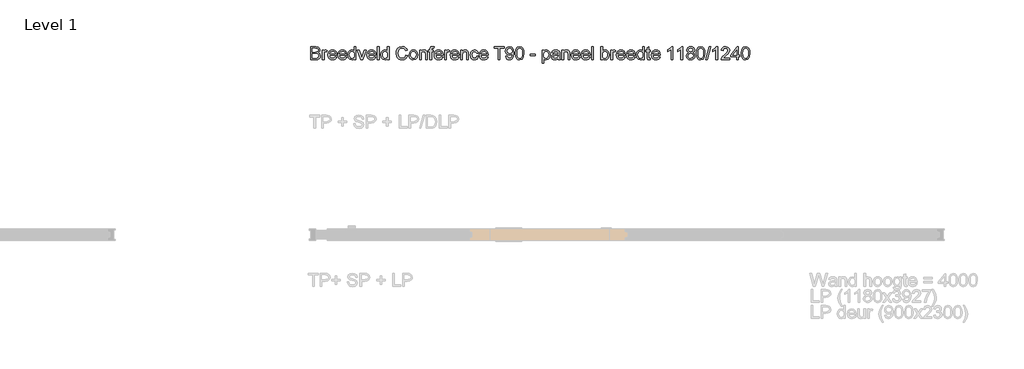
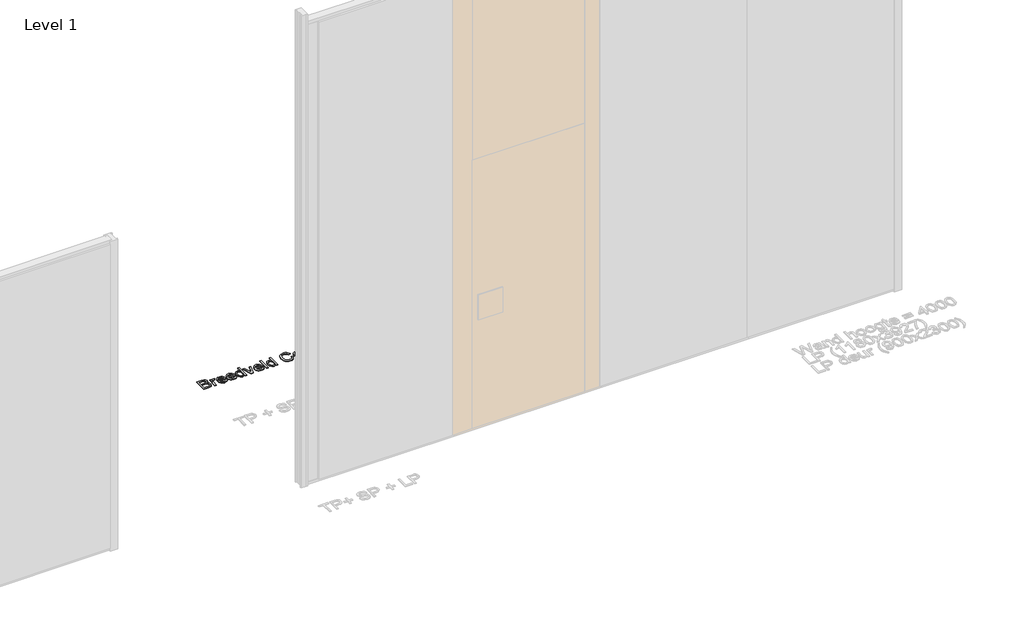
# One storey, part 16 of 17: 1 proxy.
"""IFC4 building model written with IfcOpenShell, lengths in millimetres."""

from ifc_helpers import new_model, si_unit, origin, origin_with_axes, place, context, project, spatial, polyline, outline, extrude, element, save

model = new_model("IFC4")

# Units and contexts
model_context = context("Model", 3, world=origin())
ifc_project = project(units=[si_unit("LENGTHUNIT", "METRE", prefix="MILLI")], contexts=[model_context])

# Site, building, storey
site = spatial("IfcSite", under=ifc_project)
building = spatial("IfcBuilding", under=site)
storey = spatial("IfcBuildingStorey", under=building, Name="Level 1", Elevation=0.0)

# Proxy
placement = place(None, origin())
element("IfcBuildingElementProxy", 1, Name="100 mm", ObjectType="100 mm", at=placement, inside=storey, context=model_context, shape_type="SweptSolid", body=[
    extrude(outline(polyline([(-5989.1218202, 5842.9102169), (-5989.1218202, 5941.3717554), (-5951.5497048, 5941.3717554), (-5933.1482625, 5938.4751207), (-5922.2828779, 5929.5688707), (-5918.3525894, 5916.9727169), (-5921.6578779, 5905.4703131), (-5931.6458587, 5896.7563707), (-5919.5184548, 5887.5736784), (-5915.2756664, 5872.2611784), (-5918.172301, 5859.0280054), (-5925.3477817, 5849.6049284), (-5936.0569164, 5844.6049284), (-5951.8381664, 5842.9102169), (-5989.1218202, 5842.9102169)]), holes=[polyline([(-5976.8141279, 5855.2179092), (-5951.5737433, 5855.2179092), (-5942.4391279, 5855.6986784), (-5934.7107625, 5858.3789669), (-5929.5905702, 5863.8477169), (-5927.5833587, 5872.1409861), (-5929.9391279, 5881.7082938), (-5937.5713394, 5887.4174284), (-5952.7756664, 5889.0640631), (-5976.8141279, 5889.0640631), (-5976.8141279, 5855.2179092)]), polyline([(-5976.8141279, 5901.3717554), (-5954.3381664, 5901.3717554), (-5941.2131664, 5902.4294477), (-5933.3165317, 5906.9847361), (-5930.6602817, 5915.0015631), (-5933.1362433, 5923.0304092), (-5940.2275894, 5927.7780054), (-5956.0448971, 5929.0640631), (-5976.8141279, 5929.0640631), (-5976.8141279, 5901.3717554)])]), origin_with_axes(), (0.0, 0.0, 1.0), 5.0),
    extrude(outline(polyline([(-5899.891051, 5842.9102169), (-5899.891051, 5915.2179092), (-5889.1218202, 5915.2179092), (-5889.1218202, 5904.5207938), (-5881.4775894, 5914.3765631), (-5873.7852817, 5916.7563707), (-5861.4295125, 5912.9582938), (-5865.5400894, 5901.92464), (-5874.1939356, 5904.4486784), (-5881.1530702, 5902.0207938), (-5885.5881664, 5895.2900246), (-5887.5833587, 5880.9150246), (-5887.5833587, 5842.9102169), (-5899.891051, 5842.9102169)])), origin_with_axes(), (0.0, 0.0, 1.0), 5.0),
    extrude(outline(polyline([(-5803.1122048, 5864.4486784), (-5791.0448971, 5862.9102169), (-5795.3928539, 5853.8176688), (-5802.3309548, 5847.0207938), (-5811.70295, 5842.784015), (-5823.3525894, 5841.3717554), (-5837.7936952, 5843.8086544), (-5848.905474, 5851.1193515), (-5855.9908106, 5862.8290871), (-5858.3525894, 5878.4631015), (-5855.9667721, 5894.6229573), (-5848.8093202, 5906.7082938), (-5837.8477817, 5914.2443515), (-5824.0497048, 5916.7563707), (-5810.6813154, 5914.2503611), (-5799.999224, 5906.7323323), (-5792.9950173, 5894.6710342), (-5790.6602817, 5878.5352169), (-5790.7323971, 5875.2179092), (-5846.0448971, 5875.2179092), (-5843.9144885, 5866.0051688), (-5838.9655702, 5859.2323323), (-5823.1122048, 5853.6794477), (-5811.0448971, 5856.2515631), (-5803.1122048, 5864.4486784)]), holes=[polyline([(-5846.0448971, 5887.5256015), (-5802.967974, 5887.5256015), (-5807.8958587, 5898.6794477), (-5815.0713394, 5903.0063707), (-5824.0977817, 5904.4486784), (-5839.2540317, 5899.8453131), (-5846.0448971, 5887.5256015)])]), origin_with_axes(), (0.0, 0.0, 1.0), 5.0),
    extrude(outline(polyline([(-5727.7275894, 5864.4486784), (-5715.6602817, 5862.9102169), (-5720.0082385, 5853.8176688), (-5726.9463394, 5847.0207938), (-5736.3183346, 5842.784015), (-5747.967974, 5841.3717554), (-5762.4090798, 5843.8086544), (-5773.5208587, 5851.1193515), (-5780.6061952, 5862.8290871), (-5782.967974, 5878.4631015), (-5780.5821567, 5894.6229573), (-5773.4247048, 5906.7082938), (-5762.4631664, 5914.2443515), (-5748.6650894, 5916.7563707), (-5735.2967, 5914.2503611), (-5724.6146087, 5906.7323323), (-5717.6104019, 5894.6710342), (-5715.2756664, 5878.5352169), (-5715.3477817, 5875.2179092), (-5770.6602817, 5875.2179092), (-5768.5298731, 5866.0051688), (-5763.5809548, 5859.2323323), (-5747.7275894, 5853.6794477), (-5735.6602817, 5856.2515631), (-5727.7275894, 5864.4486784)]), holes=[polyline([(-5770.6602817, 5887.5256015), (-5727.5833587, 5887.5256015), (-5732.5112433, 5898.6794477), (-5739.686724, 5903.0063707), (-5748.7131664, 5904.4486784), (-5763.8694164, 5899.8453131), (-5770.6602817, 5887.5256015)])]), origin_with_axes(), (0.0, 0.0, 1.0), 5.0),
    extrude(outline(polyline([(-5658.3525894, 5842.9102169), (-5658.3525894, 5854.5207938), (-5666.4956183, 5844.659015), (-5677.7516279, 5841.3717554), (-5692.9920125, 5846.1313707), (-5703.7612433, 5859.4126207), (-5707.5833587, 5878.9919477), (-5704.061724, 5898.5832938), (-5693.5088394, 5912.0688707), (-5677.7997048, 5916.7563707), (-5666.453551, 5913.4030054), (-5658.3525894, 5904.6890631), (-5658.3525894, 5941.3717554), (-5646.0448971, 5941.3717554), (-5646.0448971, 5842.9102169), (-5658.3525894, 5842.9102169)]), holes=[polyline([(-5695.2756664, 5879.0400246), (-5693.8874452, 5867.9072121), (-5689.7227817, 5859.9895438), (-5683.671099, 5855.2569717), (-5676.6218202, 5853.6794477), (-5669.5755462, 5855.1848563), (-5663.6771087, 5859.7010823), (-5659.6837192, 5867.3122602), (-5658.3525894, 5878.1025246), (-5659.7077577, 5889.8993996), (-5663.7732625, 5898.0784861), (-5669.8219404, 5902.8561304), (-5677.1266279, 5904.4486784), (-5684.2480221, 5902.9192313), (-5690.0833587, 5898.33089), (-5693.9775894, 5890.4492794), (-5695.2756664, 5879.0400246)])]), origin_with_axes(), (0.0, 0.0, 1.0), 5.0),
    extrude(outline(polyline([(-5609.842974, 5842.9102169), (-5635.2756664, 5915.2179092), (-5622.2468202, 5915.2179092), (-5606.8381664, 5871.9006015), (-5602.1987433, 5857.3332938), (-5597.655474, 5871.0832938), (-5582.1506664, 5915.2179092), (-5569.1218202, 5915.2179092), (-5594.2420125, 5842.9102169), (-5609.842974, 5842.9102169)])), origin_with_axes(), (0.0, 0.0, 1.0), 5.0),
    extrude(outline(polyline([(-5507.7275894, 5864.4486784), (-5495.6602817, 5862.9102169), (-5500.0082385, 5853.8176688), (-5506.9463394, 5847.0207938), (-5516.3183346, 5842.784015), (-5527.967974, 5841.3717554), (-5542.4090798, 5843.8086544), (-5553.5208587, 5851.1193515), (-5560.6061952, 5862.8290871), (-5562.967974, 5878.4631015), (-5560.5821567, 5894.6229573), (-5553.4247048, 5906.7082938), (-5542.4631664, 5914.2443515), (-5528.6650894, 5916.7563707), (-5515.2967, 5914.2503611), (-5504.6146087, 5906.7323323), (-5497.6104019, 5894.6710342), (-5495.2756664, 5878.5352169), (-5495.3477817, 5875.2179092), (-5550.6602817, 5875.2179092), (-5548.5298731, 5866.0051688), (-5543.5809548, 5859.2323323), (-5527.7275894, 5853.6794477), (-5515.6602817, 5856.2515631), (-5507.7275894, 5864.4486784)]), holes=[polyline([(-5550.6602817, 5887.5256015), (-5507.5833587, 5887.5256015), (-5512.5112433, 5898.6794477), (-5519.686724, 5903.0063707), (-5528.7131664, 5904.4486784), (-5543.8694164, 5899.8453131), (-5550.6602817, 5887.5256015)])]), origin_with_axes(), (0.0, 0.0, 1.0), 5.0),
    extrude(outline(polyline([(-5482.967974, 5842.9102169), (-5482.967974, 5941.3717554), (-5470.6602817, 5941.3717554), (-5470.6602817, 5842.9102169), (-5482.967974, 5842.9102169)])), origin_with_axes(), (0.0, 0.0, 1.0), 5.0),
    extrude(outline(polyline([(-5407.5833587, 5842.9102169), (-5407.5833587, 5854.5207938), (-5415.7263875, 5844.659015), (-5426.9823971, 5841.3717554), (-5442.2227817, 5846.1313707), (-5452.9920125, 5859.4126207), (-5456.8141279, 5878.9919477), (-5453.2924933, 5898.5832938), (-5442.7396087, 5912.0688707), (-5427.030474, 5916.7563707), (-5415.6843202, 5913.4030054), (-5407.5833587, 5904.6890631), (-5407.5833587, 5941.3717554), (-5395.2756664, 5941.3717554), (-5395.2756664, 5842.9102169), (-5407.5833587, 5842.9102169)]), holes=[polyline([(-5444.5064356, 5879.0400246), (-5443.1182144, 5867.9072121), (-5438.953551, 5859.9895438), (-5432.9018683, 5855.2569717), (-5425.8525894, 5853.6794477), (-5418.8063154, 5855.1848563), (-5412.9078779, 5859.7010823), (-5408.9144885, 5867.3122602), (-5407.5833587, 5878.1025246), (-5408.9385269, 5889.8993996), (-5413.0040317, 5898.0784861), (-5419.0527096, 5902.8561304), (-5426.3573971, 5904.4486784), (-5433.4787914, 5902.9192313), (-5439.3141279, 5898.33089), (-5443.2083587, 5890.4492794), (-5444.5064356, 5879.0400246)])]), origin_with_axes(), (0.0, 0.0, 1.0), 5.0),
    extrude(outline(polyline([(-5267.5833587, 5877.9102169), (-5255.2756664, 5874.73714), (-5260.9547529, 5860.3951929), (-5269.8670125, 5849.9174284), (-5281.5737433, 5843.5081736), (-5295.6362433, 5841.3717554), (-5309.9120846, 5842.9883419), (-5321.249224, 5847.8381015), (-5329.9391279, 5855.752765), (-5336.2732625, 5866.5640631), (-5341.4295125, 5892.8861784), (-5339.9721808, 5907.2431496), (-5335.6001856, 5919.6409861), (-5328.5418923, 5929.6860582), (-5319.0256664, 5936.9847361), (-5295.3718202, 5942.9102169), (-5281.8772289, 5940.9931496), (-5270.7203779, 5935.2419477), (-5262.249825, 5926.0111784), (-5256.8141279, 5913.6554092), (-5269.1218202, 5910.7227169), (-5279.217974, 5925.8549284), (-5295.8525894, 5930.6025246), (-5315.1073971, 5925.3381015), (-5325.984801, 5911.2034861), (-5329.1218202, 5892.9102169), (-5325.4078779, 5871.7082938), (-5313.8453779, 5858.1626207), (-5296.8622048, 5853.6794477), (-5286.5887673, 5855.20589), (-5278.0280702, 5859.7852169), (-5271.5647289, 5867.3693515), (-5267.5833587, 5877.9102169)])), origin_with_axes(), (0.0, 0.0, 1.0), 5.0),
    extrude(outline(polyline([(-5242.967974, 5879.0640631), (-5240.3057144, 5896.4979573), (-5232.3189356, 5908.7515631), (-5222.4511471, 5914.7551688), (-5210.6362433, 5916.7563707), (-5197.7065558, 5914.3194717), (-5187.3790317, 5907.0087746), (-5180.6092, 5895.4012025), (-5178.3525894, 5880.0736784), (-5182.342974, 5858.17464), (-5193.9655702, 5845.7828131), (-5210.6362433, 5841.3717554), (-5223.7221808, 5843.79964), (-5234.0376856, 5851.0832938), (-5240.7354019, 5862.9342554), (-5242.967974, 5879.0640631)]), holes=[polyline([(-5230.6602817, 5879.0881015), (-5229.2360029, 5867.9492794), (-5224.9631664, 5860.0135823), (-5218.5328779, 5855.2629813), (-5210.6362433, 5853.6794477), (-5202.7756664, 5855.2719957), (-5196.3573971, 5860.04964), (-5192.0845606, 5868.0905054), (-5190.6602817, 5879.4727169), (-5192.093575, 5890.2870198), (-5196.3934548, 5898.1145438), (-5202.8207385, 5902.8651448), (-5210.6362433, 5904.4486784), (-5218.5328779, 5902.8711544), (-5224.9631664, 5898.1385823), (-5229.2360029, 5890.220914), (-5230.6602817, 5879.0881015)])]), origin_with_axes(), (0.0, 0.0, 1.0), 5.0),
    extrude(outline(polyline([(-5164.5064356, 5842.9102169), (-5164.5064356, 5915.2179092), (-5152.1987433, 5915.2179092), (-5152.1987433, 5905.1217554), (-5142.7876856, 5913.8477169), (-5129.9391279, 5916.7563707), (-5118.3165317, 5914.4126207), (-5110.3838394, 5908.2587746), (-5106.6939356, 5899.2082938), (-5106.0448971, 5887.3092554), (-5106.0448971, 5842.9102169), (-5118.3525894, 5842.9102169), (-5118.3525894, 5885.6506015), (-5119.7708587, 5896.5400246), (-5124.7828779, 5902.2972361), (-5133.2323971, 5904.4486784), (-5146.5857625, 5899.6169477), (-5150.7954981, 5892.6157457), (-5152.1987433, 5881.2756015), (-5152.1987433, 5842.9102169), (-5164.5064356, 5842.9102169)])), origin_with_axes(), (0.0, 0.0, 1.0), 5.0),
    extrude(outline(polyline([(-5086.0448971, 5842.9102169), (-5086.0448971, 5902.9102169), (-5096.8141279, 5902.9102169), (-5096.8141279, 5915.2179092), (-5086.0448971, 5915.2179092), (-5086.0448971, 5922.5015631), (-5084.7468202, 5932.7659861), (-5078.4487433, 5940.0977169), (-5066.0448971, 5942.9102169), (-5054.8189356, 5941.5640631), (-5056.6218202, 5930.0256015), (-5063.7131664, 5930.6025246), (-5071.4655702, 5928.5592554), (-5073.7372048, 5920.9390631), (-5073.7372048, 5915.2179092), (-5059.891051, 5915.2179092), (-5059.891051, 5902.9102169), (-5073.7372048, 5902.9102169), (-5073.7372048, 5842.9102169), (-5086.0448971, 5842.9102169)])), origin_with_axes(), (0.0, 0.0, 1.0), 5.0),
    extrude(outline(polyline([(-4998.4968202, 5864.4486784), (-4986.4295125, 5862.9102169), (-4990.7774692, 5853.8176688), (-4997.7155702, 5847.0207938), (-5007.0875654, 5842.784015), (-5018.7372048, 5841.3717554), (-5033.1783106, 5843.8086544), (-5044.2900894, 5851.1193515), (-5051.375426, 5862.8290871), (-5053.7372048, 5878.4631015), (-5051.3513875, 5894.6229573), (-5044.1939356, 5906.7082938), (-5033.2323971, 5914.2443515), (-5019.4343202, 5916.7563707), (-5006.0659308, 5914.2503611), (-4995.3838394, 5906.7323323), (-4988.3796327, 5894.6710342), (-4986.0448971, 5878.5352169), (-4986.1170125, 5875.2179092), (-5041.4295125, 5875.2179092), (-5039.2991039, 5866.0051688), (-5034.3501856, 5859.2323323), (-5018.4968202, 5853.6794477), (-5006.4295125, 5856.2515631), (-4998.4968202, 5864.4486784)]), holes=[polyline([(-5041.4295125, 5887.5256015), (-4998.3525894, 5887.5256015), (-5003.280474, 5898.6794477), (-5010.4559548, 5903.0063707), (-5019.4823971, 5904.4486784), (-5034.6386471, 5899.8453131), (-5041.4295125, 5887.5256015)])]), origin_with_axes(), (0.0, 0.0, 1.0), 5.0),
    extrude(outline(polyline([(-4973.7372048, 5842.9102169), (-4973.7372048, 5915.2179092), (-4962.967974, 5915.2179092), (-4962.967974, 5904.5207938), (-4955.3237433, 5914.3765631), (-4947.6314356, 5916.7563707), (-4935.2756664, 5912.9582938), (-4939.3862433, 5901.92464), (-4948.0400894, 5904.4486784), (-4954.999224, 5902.0207938), (-4959.4343202, 5895.2900246), (-4961.4295125, 5880.9150246), (-4961.4295125, 5842.9102169), (-4973.7372048, 5842.9102169)])), origin_with_axes(), (0.0, 0.0, 1.0), 5.0),
    extrude(outline(polyline([(-4876.9583587, 5864.4486784), (-4864.891051, 5862.9102169), (-4869.2390077, 5853.8176688), (-4876.1771087, 5847.0207938), (-4885.5491039, 5842.784015), (-4897.1987433, 5841.3717554), (-4911.639849, 5843.8086544), (-4922.7516279, 5851.1193515), (-4929.8369644, 5862.8290871), (-4932.1987433, 5878.4631015), (-4929.812926, 5894.6229573), (-4922.655474, 5906.7082938), (-4911.6939356, 5914.2443515), (-4897.8958587, 5916.7563707), (-4884.5274692, 5914.2503611), (-4873.8453779, 5906.7323323), (-4866.8411712, 5894.6710342), (-4864.5064356, 5878.5352169), (-4864.578551, 5875.2179092), (-4919.891051, 5875.2179092), (-4917.7606423, 5866.0051688), (-4912.811724, 5859.2323323), (-4896.9583587, 5853.6794477), (-4884.891051, 5856.2515631), (-4876.9583587, 5864.4486784)]), holes=[polyline([(-4919.891051, 5887.5256015), (-4876.8141279, 5887.5256015), (-4881.7420125, 5898.6794477), (-4888.9174933, 5903.0063707), (-4897.9439356, 5904.4486784), (-4913.1001856, 5899.8453131), (-4919.891051, 5887.5256015)])]), origin_with_axes(), (0.0, 0.0, 1.0), 5.0),
    extrude(outline(polyline([(-4852.1987433, 5842.9102169), (-4852.1987433, 5915.2179092), (-4839.891051, 5915.2179092), (-4839.891051, 5905.1217554), (-4830.4799933, 5913.8477169), (-4817.6314356, 5916.7563707), (-4806.0088394, 5914.4126207), (-4798.0761471, 5908.2587746), (-4794.3862433, 5899.2082938), (-4793.7372048, 5887.3092554), (-4793.7372048, 5842.9102169), (-4806.0448971, 5842.9102169), (-4806.0448971, 5885.6506015), (-4807.4631664, 5896.5400246), (-4812.4751856, 5902.2972361), (-4820.9247048, 5904.4486784), (-4834.2780702, 5899.6169477), (-4838.4878058, 5892.6157457), (-4839.891051, 5881.2756015), (-4839.891051, 5842.9102169), (-4852.1987433, 5842.9102169)])), origin_with_axes(), (0.0, 0.0, 1.0), 5.0),
    extrude(outline(polyline([(-4730.6602817, 5869.0640631), (-4718.3525894, 5867.5256015), (-4721.7840798, 5856.5790871), (-4728.2323971, 5848.3068515), (-4737.0905702, 5843.1055294), (-4747.7516279, 5841.3717554), (-4760.843575, 5843.7906256), (-4771.0809548, 5851.0472361), (-4777.6885269, 5862.8230775), (-4779.891051, 5878.79964), (-4776.1290317, 5899.2443515), (-4764.6626856, 5912.3813707), (-4747.9198971, 5916.7563707), (-4737.5202577, 5915.2539669), (-4729.2059548, 5910.7467554), (-4723.2414115, 5903.4751207), (-4719.891051, 5893.6794477), (-4732.1987433, 5892.1409861), (-4737.9078779, 5901.3597361), (-4747.8237433, 5904.4486784), (-4755.7774692, 5902.9282457), (-4762.0905702, 5898.3669477), (-4766.2101615, 5890.51839), (-4767.5833587, 5879.1361784), (-4766.2402096, 5867.6007217), (-4762.2107625, 5859.7251207), (-4756.0118442, 5855.1908659), (-4748.1602817, 5853.6794477), (-4736.561724, 5857.4534861), (-4730.6602817, 5869.0640631)])), origin_with_axes(), (0.0, 0.0, 1.0), 5.0),
    extrude(outline(polyline([(-4656.9583587, 5864.4486784), (-4644.891051, 5862.9102169), (-4649.2390077, 5853.8176688), (-4656.1771087, 5847.0207938), (-4665.5491039, 5842.784015), (-4677.1987433, 5841.3717554), (-4691.639849, 5843.8086544), (-4702.7516279, 5851.1193515), (-4709.8369644, 5862.8290871), (-4712.1987433, 5878.4631015), (-4709.812926, 5894.6229573), (-4702.655474, 5906.7082938), (-4691.6939356, 5914.2443515), (-4677.8958587, 5916.7563707), (-4664.5274692, 5914.2503611), (-4653.8453779, 5906.7323323), (-4646.8411712, 5894.6710342), (-4644.5064356, 5878.5352169), (-4644.578551, 5875.2179092), (-4699.891051, 5875.2179092), (-4697.7606423, 5866.0051688), (-4692.811724, 5859.2323323), (-4676.9583587, 5853.6794477), (-4664.891051, 5856.2515631), (-4656.9583587, 5864.4486784)]), holes=[polyline([(-4699.891051, 5887.5256015), (-4656.8141279, 5887.5256015), (-4661.7420125, 5898.6794477), (-4668.9174933, 5903.0063707), (-4677.9439356, 5904.4486784), (-4693.1001856, 5899.8453131), (-4699.891051, 5887.5256015)])]), origin_with_axes(), (0.0, 0.0, 1.0), 5.0),
    extrude(outline(polyline([(-4567.5833587, 5842.9102169), (-4567.5833587, 5929.0640631), (-4599.891051, 5929.0640631), (-4599.891051, 5941.3717554), (-4522.967974, 5941.3717554), (-4522.967974, 5929.0640631), (-4555.2756664, 5929.0640631), (-4555.2756664, 5842.9102169), (-4567.5833587, 5842.9102169)])), origin_with_axes(), (0.0, 0.0, 1.0), 5.0),
    extrude(outline(polyline([(-4512.1987433, 5867.5256015), (-4499.891051, 5869.0640631), (-4494.3622048, 5857.3212746), (-4483.8814356, 5853.6794477), (-4473.9174933, 5856.0231977), (-4467.1626856, 5862.2852169), (-4463.1362433, 5872.9823323), (-4461.3573971, 5887.2611784), (-4461.4295125, 5889.6650246), (-4471.2732625, 5880.3381015), (-4484.7708587, 5876.7563707), (-4495.9938154, 5878.9438707), (-4505.3357625, 5885.5063707), (-4511.6368442, 5895.6445919), (-4513.7372048, 5908.5592554), (-4511.5346808, 5921.9006015), (-4504.9271087, 5932.3573323), (-4495.0022289, 5939.1181496), (-4482.8477817, 5941.3717554), (-4465.311724, 5936.2275246), (-4453.2444164, 5921.5640631), (-4449.1218202, 5894.0159861), (-4453.2323971, 5864.1241592), (-4465.4559548, 5847.1890631), (-4474.2630462, 5842.8260823), (-4484.4583587, 5841.3717554), (-4494.9811952, 5843.0875006), (-4503.3766279, 5848.2347361), (-4509.2480221, 5856.4889429), (-4512.1987433, 5867.5256015)]), holes=[polyline([(-4461.4295125, 5908.8477169), (-4466.7420125, 5923.6073323), (-4480.8525894, 5929.0640631), (-4489.0737433, 5927.5947121), (-4495.6602817, 5923.1866592), (-4499.9872048, 5916.4408659), (-4501.4295125, 5907.9582938), (-4495.9727817, 5894.3164669), (-4481.1891279, 5889.0640631), (-4466.9944164, 5894.3164669), (-4462.8207385, 5900.5754813), (-4461.4295125, 5908.8477169)])]), origin_with_axes(), (0.0, 0.0, 1.0), 5.0),
    extrude(outline(polyline([(-4438.3525894, 5891.3477169), (-4434.734801, 5919.6770438), (-4423.9896087, 5936.0111784), (-4406.0448971, 5941.3717554), (-4391.6698971, 5938.1986784), (-4381.7420125, 5929.0520438), (-4375.9727817, 5914.4847361), (-4373.7372048, 5891.3477169), (-4377.3189356, 5863.1385823), (-4388.0280702, 5846.76839), (-4406.0448971, 5841.3717554), (-4418.8333587, 5843.7155054), (-4428.5448971, 5850.7467554), (-4435.9006664, 5867.3993996), (-4438.3525894, 5891.3477169)]), holes=[polyline([(-4426.0448971, 5891.3717554), (-4424.6025894, 5872.0117794), (-4420.2756664, 5860.8068515), (-4413.8333587, 5855.4612986), (-4406.0448971, 5853.6794477), (-4398.2564356, 5855.4673082), (-4391.8141279, 5860.83089), (-4387.4872048, 5872.0418275), (-4386.0448971, 5891.3717554), (-4387.4391279, 5910.2960342), (-4391.6218202, 5921.5881015), (-4398.0521087, 5927.1950727), (-4406.1891279, 5929.0640631), (-4413.8934548, 5927.4174284), (-4420.0833587, 5922.4775246), (-4424.5545125, 5910.4823323), (-4426.0448971, 5891.3717554)])]), origin_with_axes(), (0.0, 0.0, 1.0), 5.0),
    extrude(outline(polyline([(-4327.5833587, 5872.1409861), (-4327.5833587, 5884.4486784), (-4289.1218202, 5884.4486784), (-4289.1218202, 5872.1409861), (-4327.5833587, 5872.1409861)])), origin_with_axes(), (0.0, 0.0, 1.0), 5.0),
    extrude(outline(polyline([(-4236.8141279, 5815.2179092), (-4236.8141279, 5915.2179092), (-4224.5064356, 5915.2179092), (-4224.5064356, 5903.1506015), (-4215.9968202, 5913.3549284), (-4204.5064356, 5916.7563707), (-4188.905474, 5911.9967554), (-4178.7131664, 5898.5832938), (-4175.2756664, 5879.6169477), (-4179.1578779, 5859.6770438), (-4190.4319164, 5846.0953131), (-4205.9968202, 5841.3717554), (-4216.7059548, 5844.5328131), (-4224.5064356, 5852.5256015), (-4224.5064356, 5815.2179092), (-4236.8141279, 5815.2179092)]), holes=[polyline([(-4224.5064356, 5878.48714), (-4223.1753058, 5867.4534861), (-4219.1819164, 5859.73714), (-4213.2894885, 5855.1938707), (-4206.2612433, 5853.6794477), (-4199.1188154, 5855.2479573), (-4193.0761471, 5859.9534861), (-4188.9565558, 5867.9522842), (-4187.5833587, 5879.4006015), (-4188.9235029, 5890.3741592), (-4192.9439356, 5898.1986784), (-4198.827349, 5902.8861784), (-4205.7564356, 5904.4486784), (-4212.7125654, 5902.7870198), (-4218.8213394, 5897.8020438), (-4223.0851615, 5889.6500006), (-4224.5064356, 5878.48714)])]), origin_with_axes(), (0.0, 0.0, 1.0), 5.0),
    extrude(outline(polyline([(-4115.2756664, 5852.1409861), (-4127.2107625, 5843.79964), (-4140.3958587, 5841.3717554), (-4150.6813154, 5842.8320919), (-4158.2684548, 5847.2131015), (-4162.9469404, 5853.8657457), (-4164.5064356, 5862.1409861), (-4162.1506664, 5871.8765631), (-4155.9607625, 5878.9438707), (-4147.342974, 5882.9823323), (-4136.6939356, 5884.8332938), (-4115.3477817, 5889.0640631), (-4115.2756664, 5891.8044477), (-4118.6650894, 5900.8909861), (-4132.2708587, 5904.4486784), (-4144.7227817, 5902.08089), (-4150.6602817, 5893.6794477), (-4162.967974, 5895.2179092), (-4157.6434548, 5907.23714), (-4146.922301, 5914.2804092), (-4130.6843202, 5916.7563707), (-4115.7684548, 5914.5688707), (-4107.342974, 5909.0760823), (-4103.5689356, 5900.7227169), (-4102.967974, 5889.9534861), (-4102.967974, 5874.6409861), (-4102.342974, 5853.2587746), (-4099.891051, 5842.9102169), (-4112.1987433, 5842.9102169), (-4115.2756664, 5852.1409861)]), holes=[polyline([(-4115.2756664, 5876.7563707), (-4135.1314356, 5872.9823323), (-4145.7203779, 5870.98714), (-4150.516051, 5867.7419477), (-4152.1987433, 5863.0063707), (-4148.5328779, 5856.3477169), (-4137.7756664, 5853.6794477), (-4125.3237433, 5856.6241592), (-4117.2948971, 5863.7515631), (-4115.3477817, 5873.2707938), (-4115.2756664, 5876.7563707)])]), origin_with_axes(), (0.0, 0.0, 1.0), 5.0),
    extrude(outline(polyline([(-4086.0448971, 5842.9102169), (-4086.0448971, 5915.2179092), (-4073.7372048, 5915.2179092), (-4073.7372048, 5905.1217554), (-4064.3261471, 5913.8477169), (-4051.4775894, 5916.7563707), (-4039.8549933, 5914.4126207), (-4031.922301, 5908.2587746), (-4028.2323971, 5899.2082938), (-4027.5833587, 5887.3092554), (-4027.5833587, 5842.9102169), (-4039.891051, 5842.9102169), (-4039.891051, 5885.6506015), (-4041.3093202, 5896.5400246), (-4046.3213394, 5902.2972361), (-4054.7708587, 5904.4486784), (-4068.124224, 5899.6169477), (-4072.3339596, 5892.6157457), (-4073.7372048, 5881.2756015), (-4073.7372048, 5842.9102169), (-4086.0448971, 5842.9102169)])), origin_with_axes(), (0.0, 0.0, 1.0), 5.0),
    extrude(outline(polyline([(-3960.0352817, 5864.4486784), (-3947.967974, 5862.9102169), (-3952.3159308, 5853.8176688), (-3959.2540317, 5847.0207938), (-3968.6260269, 5842.784015), (-3980.2756664, 5841.3717554), (-3994.7167721, 5843.8086544), (-4005.828551, 5851.1193515), (-4012.9138875, 5862.8290871), (-4015.2756664, 5878.4631015), (-4012.889849, 5894.6229573), (-4005.7323971, 5906.7082938), (-3994.7708587, 5914.2443515), (-3980.9727817, 5916.7563707), (-3967.6043923, 5914.2503611), (-3956.922301, 5906.7323323), (-3949.9180942, 5894.6710342), (-3947.5833587, 5878.5352169), (-3947.655474, 5875.2179092), (-4002.967974, 5875.2179092), (-4000.8375654, 5866.0051688), (-3995.8886471, 5859.2323323), (-3980.0352817, 5853.6794477), (-3967.967974, 5856.2515631), (-3960.0352817, 5864.4486784)]), holes=[polyline([(-4002.967974, 5887.5256015), (-3959.891051, 5887.5256015), (-3964.8189356, 5898.6794477), (-3971.9944164, 5903.0063707), (-3981.0208587, 5904.4486784), (-3996.1771087, 5899.8453131), (-4002.967974, 5887.5256015)])]), origin_with_axes(), (0.0, 0.0, 1.0), 5.0),
    extrude(outline(polyline([(-3884.6506664, 5864.4486784), (-3872.5833587, 5862.9102169), (-3876.9313154, 5853.8176688), (-3883.8694164, 5847.0207938), (-3893.2414115, 5842.784015), (-3904.891051, 5841.3717554), (-3919.3321567, 5843.8086544), (-3930.4439356, 5851.1193515), (-3937.5292721, 5862.8290871), (-3939.891051, 5878.4631015), (-3937.5052337, 5894.6229573), (-3930.3477817, 5906.7082938), (-3919.3862433, 5914.2443515), (-3905.5881664, 5916.7563707), (-3892.2197769, 5914.2503611), (-3881.5376856, 5906.7323323), (-3874.5334789, 5894.6710342), (-3872.1987433, 5878.5352169), (-3872.2708587, 5875.2179092), (-3927.5833587, 5875.2179092), (-3925.45295, 5866.0051688), (-3920.5040317, 5859.2323323), (-3904.6506664, 5853.6794477), (-3892.5833587, 5856.2515631), (-3884.6506664, 5864.4486784)]), holes=[polyline([(-3927.5833587, 5887.5256015), (-3884.5064356, 5887.5256015), (-3889.4343202, 5898.6794477), (-3896.609801, 5903.0063707), (-3905.6362433, 5904.4486784), (-3920.7924933, 5899.8453131), (-3927.5833587, 5887.5256015)])]), origin_with_axes(), (0.0, 0.0, 1.0), 5.0),
    extrude(outline(polyline([(-3859.891051, 5842.9102169), (-3859.891051, 5941.3717554), (-3847.5833587, 5941.3717554), (-3847.5833587, 5842.9102169), (-3859.891051, 5842.9102169)])), origin_with_axes(), (0.0, 0.0, 1.0), 5.0),
    extrude(outline(polyline([(-3778.3525894, 5842.9102169), (-3790.6602817, 5842.9102169), (-3790.6602817, 5941.3717554), (-3778.3525894, 5941.3717554), (-3778.3525894, 5904.8573323), (-3769.734801, 5913.7816111), (-3759.0256664, 5916.7563707), (-3746.6939356, 5914.0760823), (-3737.1266279, 5906.5400246), (-3731.249224, 5894.8212746), (-3729.1218202, 5880.1457938), (-3731.3243442, 5863.7155054), (-3737.9319164, 5851.4919477), (-3747.6284308, 5843.9018034), (-3759.0977817, 5841.3717554), (-3770.0412914, 5844.6349765), (-3778.3525894, 5854.42464), (-3778.3525894, 5842.9102169)]), holes=[polyline([(-3778.3525894, 5879.5688707), (-3774.9872048, 5862.3573323), (-3768.5388875, 5855.8489188), (-3760.155474, 5853.6794477), (-3753.0521087, 5855.2780054), (-3746.9823971, 5860.0736784), (-3742.8177337, 5868.0364188), (-3741.4295125, 5879.1361784), (-3742.7606423, 5890.3981977), (-3746.7540317, 5898.2707938), (-3752.6344404, 5902.9042073), (-3759.6266279, 5904.4486784), (-3766.7299933, 5902.8501207), (-3772.7997048, 5898.0544477), (-3776.9643683, 5890.2359381), (-3778.3525894, 5879.5688707)])]), origin_with_axes(), (0.0, 0.0, 1.0), 5.0),
    extrude(outline(polyline([(-3715.2756664, 5842.9102169), (-3715.2756664, 5915.2179092), (-3704.5064356, 5915.2179092), (-3704.5064356, 5904.5207938), (-3696.8622048, 5914.3765631), (-3689.1698971, 5916.7563707), (-3676.8141279, 5912.9582938), (-3680.9247048, 5901.92464), (-3689.578551, 5904.4486784), (-3696.5376856, 5902.0207938), (-3700.9727817, 5895.2900246), (-3702.967974, 5880.9150246), (-3702.967974, 5842.9102169), (-3715.2756664, 5842.9102169)])), origin_with_axes(), (0.0, 0.0, 1.0), 5.0),
    extrude(outline(polyline([(-3618.4968202, 5864.4486784), (-3606.4295125, 5862.9102169), (-3610.7774692, 5853.8176688), (-3617.7155702, 5847.0207938), (-3627.0875654, 5842.784015), (-3638.7372048, 5841.3717554), (-3653.1783106, 5843.8086544), (-3664.2900894, 5851.1193515), (-3671.375426, 5862.8290871), (-3673.7372048, 5878.4631015), (-3671.3513875, 5894.6229573), (-3664.1939356, 5906.7082938), (-3653.2323971, 5914.2443515), (-3639.4343202, 5916.7563707), (-3626.0659308, 5914.2503611), (-3615.3838394, 5906.7323323), (-3608.3796327, 5894.6710342), (-3606.0448971, 5878.5352169), (-3606.1170125, 5875.2179092), (-3661.4295125, 5875.2179092), (-3659.2991039, 5866.0051688), (-3654.3501856, 5859.2323323), (-3638.4968202, 5853.6794477), (-3626.4295125, 5856.2515631), (-3618.4968202, 5864.4486784)]), holes=[polyline([(-3661.4295125, 5887.5256015), (-3618.3525894, 5887.5256015), (-3623.280474, 5898.6794477), (-3630.4559548, 5903.0063707), (-3639.4823971, 5904.4486784), (-3654.6386471, 5899.8453131), (-3661.4295125, 5887.5256015)])]), origin_with_axes(), (0.0, 0.0, 1.0), 5.0),
    extrude(outline(polyline([(-3543.1122048, 5864.4486784), (-3531.0448971, 5862.9102169), (-3535.3928539, 5853.8176688), (-3542.3309548, 5847.0207938), (-3551.70295, 5842.784015), (-3563.3525894, 5841.3717554), (-3577.7936952, 5843.8086544), (-3588.905474, 5851.1193515), (-3595.9908106, 5862.8290871), (-3598.3525894, 5878.4631015), (-3595.9667721, 5894.6229573), (-3588.8093202, 5906.7082938), (-3577.8477817, 5914.2443515), (-3564.0497048, 5916.7563707), (-3550.6813154, 5914.2503611), (-3539.999224, 5906.7323323), (-3532.9950173, 5894.6710342), (-3530.6602817, 5878.5352169), (-3530.7323971, 5875.2179092), (-3586.0448971, 5875.2179092), (-3583.9144885, 5866.0051688), (-3578.9655702, 5859.2323323), (-3563.1122048, 5853.6794477), (-3551.0448971, 5856.2515631), (-3543.1122048, 5864.4486784)]), holes=[polyline([(-3586.0448971, 5887.5256015), (-3542.967974, 5887.5256015), (-3547.8958587, 5898.6794477), (-3555.0713394, 5903.0063707), (-3564.0977817, 5904.4486784), (-3579.2540317, 5899.8453131), (-3586.0448971, 5887.5256015)])]), origin_with_axes(), (0.0, 0.0, 1.0), 5.0),
    extrude(outline(polyline([(-3473.7372048, 5842.9102169), (-3473.7372048, 5854.5207938), (-3481.8802337, 5844.659015), (-3493.1362433, 5841.3717554), (-3508.3766279, 5846.1313707), (-3519.1458587, 5859.4126207), (-3522.967974, 5878.9919477), (-3519.4463394, 5898.5832938), (-3508.8934548, 5912.0688707), (-3493.1843202, 5916.7563707), (-3481.8381664, 5913.4030054), (-3473.7372048, 5904.6890631), (-3473.7372048, 5941.3717554), (-3461.4295125, 5941.3717554), (-3461.4295125, 5842.9102169), (-3473.7372048, 5842.9102169)]), holes=[polyline([(-3510.6602817, 5879.0400246), (-3509.2720606, 5867.9072121), (-3505.1073971, 5859.9895438), (-3499.0557144, 5855.2569717), (-3492.0064356, 5853.6794477), (-3484.9601615, 5855.1848563), (-3479.061724, 5859.7010823), (-3475.0683346, 5867.3122602), (-3473.7372048, 5878.1025246), (-3475.0923731, 5889.8993996), (-3479.1578779, 5898.0784861), (-3485.2065558, 5902.8561304), (-3492.5112433, 5904.4486784), (-3499.6326375, 5902.9192313), (-3505.467974, 5898.33089), (-3509.3622048, 5890.4492794), (-3510.6602817, 5879.0400246)])]), origin_with_axes(), (0.0, 0.0, 1.0), 5.0),
    extrude(outline(polyline([(-3416.8141279, 5853.17464), (-3415.2756664, 5842.54964), (-3424.4823971, 5841.3717554), (-3434.7948971, 5843.4150246), (-3439.9391279, 5848.7756015), (-3441.4295125, 5862.7419477), (-3441.4295125, 5902.9102169), (-3450.6602817, 5902.9102169), (-3450.6602817, 5915.2179092), (-3441.4295125, 5915.2179092), (-3441.4295125, 5932.7900246), (-3429.1218202, 5940.0256015), (-3429.1218202, 5915.2179092), (-3416.8141279, 5915.2179092), (-3416.8141279, 5902.9102169), (-3429.1218202, 5902.9102169), (-3429.1218202, 5863.1025246), (-3428.4727817, 5856.7563707), (-3426.3694164, 5854.5087746), (-3422.1747048, 5853.6794477), (-3416.8141279, 5853.17464)])), origin_with_axes(), (0.0, 0.0, 1.0), 5.0),
    extrude(outline(polyline([(-3353.8814356, 5864.4486784), (-3341.8141279, 5862.9102169), (-3346.1620846, 5853.8176688), (-3353.1001856, 5847.0207938), (-3362.4721808, 5842.784015), (-3374.1218202, 5841.3717554), (-3388.562926, 5843.8086544), (-3399.6747048, 5851.1193515), (-3406.7600414, 5862.8290871), (-3409.1218202, 5878.4631015), (-3406.7360029, 5894.6229573), (-3399.578551, 5906.7082938), (-3388.6170125, 5914.2443515), (-3374.8189356, 5916.7563707), (-3361.4505462, 5914.2503611), (-3350.7684548, 5906.7323323), (-3343.7642481, 5894.6710342), (-3341.4295125, 5878.5352169), (-3341.5016279, 5875.2179092), (-3396.8141279, 5875.2179092), (-3394.6837192, 5866.0051688), (-3389.734801, 5859.2323323), (-3373.8814356, 5853.6794477), (-3361.8141279, 5856.2515631), (-3353.8814356, 5864.4486784)]), holes=[polyline([(-3396.8141279, 5887.5256015), (-3353.7372048, 5887.5256015), (-3358.6650894, 5898.6794477), (-3365.8405702, 5903.0063707), (-3374.8670125, 5904.4486784), (-3390.0232625, 5899.8453131), (-3396.8141279, 5887.5256015)])]), origin_with_axes(), (0.0, 0.0, 1.0), 5.0),
    extrude(outline(polyline([(-3247.5833587, 5842.9102169), (-3259.891051, 5842.9102169), (-3259.891051, 5919.6409861), (-3271.5497048, 5911.3356977), (-3284.5064356, 5905.1217554), (-3284.5064356, 5916.7563707), (-3266.4655702, 5928.2707938), (-3255.516051, 5941.3717554), (-3247.5833587, 5941.3717554), (-3247.5833587, 5842.9102169)])), origin_with_axes(), (0.0, 0.0, 1.0), 5.0),
    extrude(outline(polyline([(-3172.1987433, 5842.9102169), (-3184.5064356, 5842.9102169), (-3184.5064356, 5919.6409861), (-3196.1650894, 5911.3356977), (-3209.1218202, 5905.1217554), (-3209.1218202, 5916.7563707), (-3191.0809548, 5928.2707938), (-3180.1314356, 5941.3717554), (-3172.1987433, 5941.3717554), (-3172.1987433, 5842.9102169)])), origin_with_axes(), (0.0, 0.0, 1.0), 5.0),
    extrude(outline(polyline([(-3125.0352817, 5897.1409861), (-3136.249224, 5904.7852169), (-3139.891051, 5916.6842554), (-3137.9078779, 5926.3056496), (-3131.9583587, 5934.2563707), (-3122.7095606, 5939.5929092), (-3110.828551, 5941.3717554), (-3098.875426, 5939.5508419), (-3089.5064356, 5934.0881015), (-3083.4487433, 5926.0111784), (-3081.4295125, 5916.3477169), (-3085.0232625, 5904.7491592), (-3095.9247048, 5897.1409861), (-3082.8357625, 5887.4895438), (-3078.3525894, 5871.5640631), (-3080.5761471, 5859.7972361), (-3087.2468202, 5850.0736784), (-3097.547301, 5843.5472361), (-3110.6602817, 5841.3717554), (-3123.7732625, 5843.5562506), (-3134.0737433, 5850.1097361), (-3140.7444164, 5859.9264429), (-3142.967974, 5871.9006015), (-3138.3045125, 5888.1986784), (-3125.0352817, 5897.1409861)]), holes=[polyline([(-3127.5833587, 5916.3236784), (-3123.2203779, 5906.6602169), (-3110.516051, 5902.9102169), (-3098.0641279, 5906.6361784), (-3093.7372048, 5915.7707938), (-3098.2083587, 5925.2299284), (-3110.6602817, 5929.0640631), (-3123.1482625, 5925.3140631), (-3127.5833587, 5916.3236784)]), polyline([(-3130.6602817, 5872.3332938), (-3128.6049933, 5863.0664669), (-3121.3333587, 5856.1313707), (-3110.5641279, 5853.6794477), (-3095.9006664, 5858.8356977), (-3090.6602817, 5871.9486784), (-3096.0689356, 5885.3140631), (-3102.499224, 5889.2804092), (-3110.9727817, 5890.6025246), (-3125.4559548, 5885.3861784), (-3130.6602817, 5872.3332938)])]), origin_with_axes(), (0.0, 0.0, 1.0), 5.0),
    extrude(outline(polyline([(-3067.5833587, 5891.3477169), (-3063.9655702, 5919.6770438), (-3053.2203779, 5936.0111784), (-3035.2756664, 5941.3717554), (-3020.9006664, 5938.1986784), (-3010.9727817, 5929.0520438), (-3005.203551, 5914.4847361), (-3002.967974, 5891.3477169), (-3006.5497048, 5863.1385823), (-3017.2588394, 5846.76839), (-3035.2756664, 5841.3717554), (-3048.0641279, 5843.7155054), (-3057.7756664, 5850.7467554), (-3065.1314356, 5867.3993996), (-3067.5833587, 5891.3477169)]), holes=[polyline([(-3055.2756664, 5891.3717554), (-3053.8333587, 5872.0117794), (-3049.5064356, 5860.8068515), (-3043.0641279, 5855.4612986), (-3035.2756664, 5853.6794477), (-3027.4872048, 5855.4673082), (-3021.0448971, 5860.83089), (-3016.717974, 5872.0418275), (-3015.2756664, 5891.3717554), (-3016.6698971, 5910.2960342), (-3020.8525894, 5921.5881015), (-3027.2828779, 5927.1950727), (-3035.4198971, 5929.0640631), (-3043.124224, 5927.4174284), (-3049.3141279, 5922.4775246), (-3053.7852817, 5910.4823323), (-3055.2756664, 5891.3717554)])]), origin_with_axes(), (0.0, 0.0, 1.0), 5.0),
    extrude(outline(polyline([(-2998.3525894, 5842.9102169), (-2970.6602817, 5941.3717554), (-2959.5545125, 5941.3717554), (-2987.2468202, 5842.9102169), (-2998.3525894, 5842.9102169)])), origin_with_axes(), (0.0, 0.0, 1.0), 5.0),
    extrude(outline(polyline([(-2907.5833587, 5842.9102169), (-2919.891051, 5842.9102169), (-2919.891051, 5919.6409861), (-2931.5497048, 5911.3356977), (-2944.5064356, 5905.1217554), (-2944.5064356, 5916.7563707), (-2926.4655702, 5928.2707938), (-2915.516051, 5941.3717554), (-2907.5833587, 5941.3717554), (-2907.5833587, 5842.9102169)])), origin_with_axes(), (0.0, 0.0, 1.0), 5.0),
    extrude(outline(polyline([(-2815.2756664, 5855.2179092), (-2815.2756664, 5842.9102169), (-2879.891051, 5842.9102169), (-2878.5689356, 5851.3957938), (-2871.092974, 5864.4606977), (-2855.6843202, 5878.7275246), (-2834.4343202, 5899.2323323), (-2829.1218202, 5913.17464), (-2834.1338394, 5924.4606977), (-2847.2227817, 5929.0640631), (-2860.8646087, 5924.5688707), (-2866.0448971, 5912.1409861), (-2878.3525894, 5913.6794477), (-2875.3688154, 5925.5844957), (-2868.9174933, 5934.2804092), (-2859.3351615, 5939.5989188), (-2846.9583587, 5941.3717554), (-2834.4914115, 5939.4006015), (-2824.9271087, 5933.48714), (-2818.8423731, 5924.6530054), (-2816.8141279, 5913.9198323), (-2819.0016279, 5902.2491592), (-2826.2732625, 5890.1818515), (-2843.905474, 5873.3188707), (-2858.0641279, 5861.4799284), (-2863.6170125, 5855.2179092), (-2815.2756664, 5855.2179092)])), origin_with_axes(), (0.0, 0.0, 1.0), 5.0),
    extrude(outline(polyline([(-2762.967974, 5842.9102169), (-2762.967974, 5865.98714), (-2807.5833587, 5865.98714), (-2807.5833587, 5878.2948323), (-2759.891051, 5939.8332938), (-2750.6602817, 5939.8332938), (-2750.6602817, 5878.2948323), (-2738.3525894, 5878.2948323), (-2738.3525894, 5865.98714), (-2750.6602817, 5865.98714), (-2750.6602817, 5842.9102169), (-2762.967974, 5842.9102169)]), holes=[polyline([(-2762.967974, 5878.2948323), (-2762.967974, 5916.3236784), (-2792.4391279, 5878.2948323), (-2762.967974, 5878.2948323)])]), origin_with_axes(), (0.0, 0.0, 1.0), 5.0),
    extrude(outline(polyline([(-2727.5833587, 5891.3477169), (-2723.9655702, 5919.6770438), (-2713.2203779, 5936.0111784), (-2695.2756664, 5941.3717554), (-2680.9006664, 5938.1986784), (-2670.9727817, 5929.0520438), (-2665.203551, 5914.4847361), (-2662.967974, 5891.3477169), (-2666.5497048, 5863.1385823), (-2677.2588394, 5846.76839), (-2695.2756664, 5841.3717554), (-2708.0641279, 5843.7155054), (-2717.7756664, 5850.7467554), (-2725.1314356, 5867.3993996), (-2727.5833587, 5891.3477169)]), holes=[polyline([(-2715.2756664, 5891.3717554), (-2713.8333587, 5872.0117794), (-2709.5064356, 5860.8068515), (-2703.0641279, 5855.4612986), (-2695.2756664, 5853.6794477), (-2687.4872048, 5855.4673082), (-2681.0448971, 5860.83089), (-2676.717974, 5872.0418275), (-2675.2756664, 5891.3717554), (-2676.6698971, 5910.2960342), (-2680.8525894, 5921.5881015), (-2687.2828779, 5927.1950727), (-2695.4198971, 5929.0640631), (-2703.124224, 5927.4174284), (-2709.3141279, 5922.4775246), (-2713.7852817, 5910.4823323), (-2715.2756664, 5891.3717554)])]), origin_with_axes(), (0.0, 0.0, 1.0), 5.0),
])

save(model, "model.ifc")
